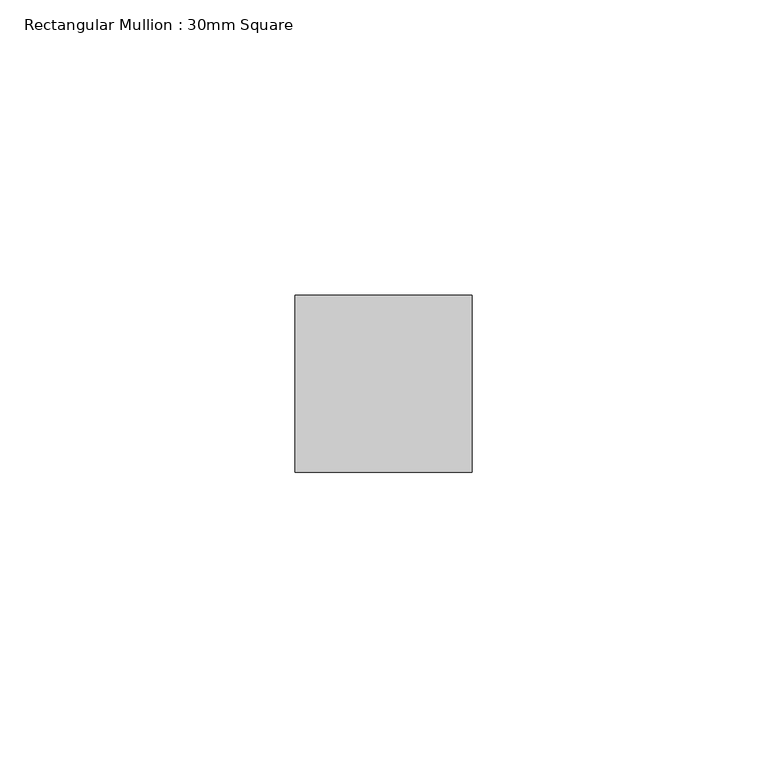
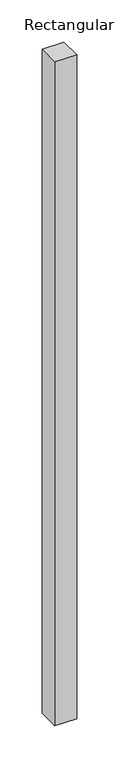
"""IFC4 building model written with IfcOpenShell, lengths in millimetres: member geometry, Rectangular Mullion : 30mm Square."""

from ifc_helpers import new_model, si_unit, frame, origin, place, context, project, spatial, polyline, outline, extrude, source, transform, mapped, element, save


def rectangular_mullion_30mm_square_988dcbf5(model_context):
    return source(origin(), model_context, "Body", "SweptSolid", [
        extrude(outline(polyline([(15.0, 15.0), (15.0, -15.0), (-15.0, -15.0), (-15.0, 15.0), (15.0, 15.0)])), frame((0.0, 0.0, -963.4512067), z_axis=(0.0, 0.0, 1.0), x_axis=(1.0, 0.0, 0.0)), (0.0, 0.0, 1.0), 963.4512067),
    ])


if __name__ == "__main__":
    model = new_model("IFC4")
    model_context = context("Model", 3, world=origin())
    ifc_project = project(units=[si_unit("LENGTHUNIT", "METRE", prefix="MILLI")], contexts=[model_context])
    site = spatial("IfcSite", under=ifc_project)
    building = spatial("IfcBuilding", under=site)
    placement = place(None, origin())
    rectangular_mullion_30mm_square_shape = rectangular_mullion_30mm_square_988dcbf5(model_context)
    element("IfcMember", 1, ObjectType="Rectangular Mullion : 30mm Square", at=placement, inside=building, context=model_context, shape_type="MappedRepresentation", body=[
        mapped(rectangular_mullion_30mm_square_shape, transform((0.0, 0.0, 0.0), x_axis=(1.0, 0.0, 0.0), y_axis=(0.0, 1.0, 0.0), z_axis=(0.0, 0.0, 1.0))),
    ])
    save(model, "model.ifc")
